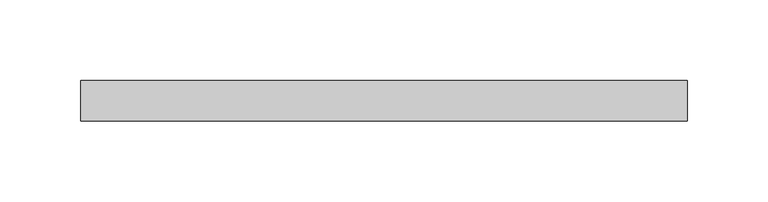
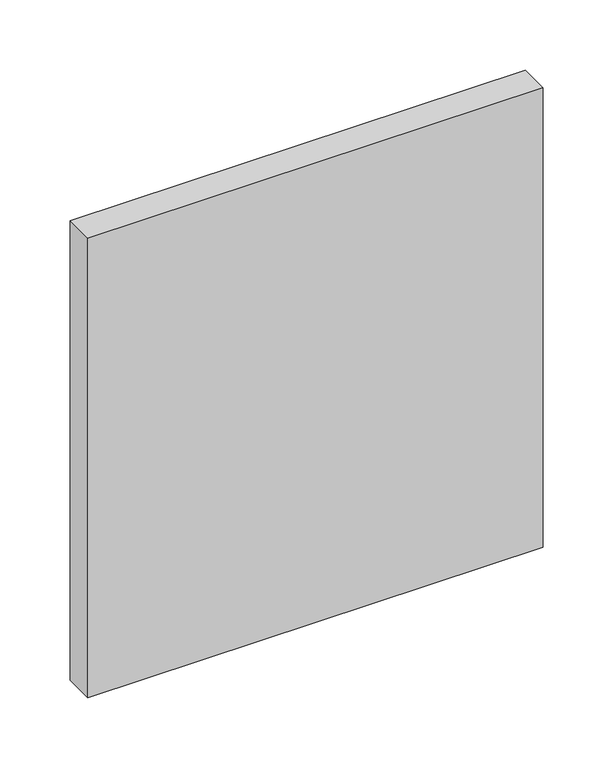
"""IFC4 building model written with IfcOpenShell, lengths in millimetres: plate geometry."""

import ifcopenshell
import ifcopenshell.guid

model = None  # the IFC model being written
_history = None  # IfcOwnerHistory: only IFC2X3 demands one
_inside = {}  # id of a spatial element -> (the spatial element, [elements in it])
_under = {}  # id of a project, library or spatial element -> (it, [spatial elements below it])
_declared = {}  # id of a project -> (the project, [libraries it declares])
_typed = {}  # id of a type object -> (the type object, [elements of that type])
_made_of = {}  # id of a material, layer set ... -> (it, [elements and type objects made of it])


def new_model(schema):
    """Start an empty IFC model of exactly this schema.

    Asked for "IFC4X3", IfcOpenShell would pick the latest addendum, in which some entities
    have other attributes; the version numbers below select the first issue.
    IFC2X3 requires an IfcOwnerHistory on every rooted entity: one is made here for all.
    """
    global model, _history
    if schema == "IFC4X3":
        model = ifcopenshell.file(schema_version=(4, 3, 0, 0))
    else:
        model = ifcopenshell.file(schema=schema)
    _inside.clear()
    _under.clear()
    _declared.clear()
    _typed.clear()
    _made_of.clear()
    _history = None
    if model.schema == "IFC2X3":
        org = make("IfcOrganization", Name="unknown")
        user = make(
            "IfcPersonAndOrganization",
            ThePerson=make("IfcPerson", FamilyName="unknown"),
            TheOrganization=org,
        )
        app = make(
            "IfcApplication",
            ApplicationDeveloper=org,
            Version="unknown",
            ApplicationFullName="unknown",
            ApplicationIdentifier="unknown",
        )
        _history = make(
            "IfcOwnerHistory",
            OwningUser=user,
            OwningApplication=app,
            ChangeAction="ADDED",
            CreationDate=0,
        )
    return model


def make(cls, **values):
    """One entity of the class cls with the attributes given. An attribute that is None is left unset."""
    return model.create_entity(
        cls, **{name: value for name, value in values.items() if value is not None}
    )


def rooted(cls, **values):
    """An entity with a GlobalId (a new one), such as an element, a storey or a relation."""
    return make(cls, GlobalId=ifcopenshell.guid.new(), OwnerHistory=_history, **values)


def si_unit(unit_type, name, prefix=None):
    """IfcSIUnit, for example si_unit("LENGTHUNIT", "METRE", prefix="MILLI")."""
    return make("IfcSIUnit", UnitType=unit_type, Prefix=prefix, Name=name)


def assignment(units):
    """IfcUnitAssignment: the units of a project."""
    return None if units is None else make("IfcUnitAssignment", Units=units)


def point(xyz):
    """IfcCartesianPoint."""
    return None if xyz is None else make("IfcCartesianPoint", Coordinates=xyz)


def direction(xyz):
    """IfcDirection."""
    return None if xyz is None else make("IfcDirection", DirectionRatios=xyz)


def frame(location, z_axis=None, x_axis=None):
    """IfcAxis2Placement3D, a coordinate frame: its origin and axes. An axis left out is left unset."""
    return make(
        "IfcAxis2Placement3D",
        Location=point(location),
        Axis=direction(z_axis),
        RefDirection=direction(x_axis),
    )


def origin():
    """The frame at (0, 0, 0) with its axes left unset."""
    return frame((0.0, 0.0, 0.0))


def origin_with_axes():
    """The frame at (0, 0, 0) with the z axis (0, 0, 1) and the x axis (1, 0, 0) written out."""
    return frame((0.0, 0.0, 0.0), z_axis=(0.0, 0.0, 1.0), x_axis=(1.0, 0.0, 0.0))


def place(relative_to, where):
    """IfcLocalPlacement: puts the frame where relative to a parent placement (None: the world)."""
    return make(
        "IfcLocalPlacement", PlacementRelTo=relative_to, RelativePlacement=where
    )


def context(
    kind, dimensions, precision=None, world=None, true_north=None, identifier=None
):
    """IfcGeometricRepresentationContext, for example the 3D "Model" context."""
    return make(
        "IfcGeometricRepresentationContext",
        ContextIdentifier=identifier,
        ContextType=kind,
        CoordinateSpaceDimension=dimensions,
        Precision=precision,
        WorldCoordinateSystem=world,
        TrueNorth=true_north,
    )


def project(units=None, contexts=None):
    """IfcProject with its units and contexts."""
    return rooted(
        "IfcProject",
        Name="project",
        RepresentationContexts=contexts,
        UnitsInContext=assignment(units),
    )


def spatial(cls, under=None, at=None, **own):
    """A site, building, storey or space (cls), placed at a placement, below another one or the project."""
    s = rooted(cls, ObjectPlacement=at, **own)
    if under is not None:
        _under.setdefault(under.id(), (under, []))[1].append(s)
    return s


def polyline(points):
    """IfcPolyline through the points."""
    return make("IfcPolyline", Points=[point(p) for p in points])


def outline(outer, holes=None, kind="AREA"):
    """IfcArbitraryClosedProfileDef: a profile drawn as a closed curve; with holes, ...WithVoids."""
    if holes is None:
        return make("IfcArbitraryClosedProfileDef", ProfileType=kind, OuterCurve=outer)
    return make(
        "IfcArbitraryProfileDefWithVoids",
        ProfileType=kind,
        OuterCurve=outer,
        InnerCurves=holes,
    )


def extrude(swept, where, along, depth):
    """IfcExtrudedAreaSolid: the profile swept, set in the frame where, extruded along a direction by depth."""
    return make(
        "IfcExtrudedAreaSolid",
        SweptArea=swept,
        Position=where,
        ExtrudedDirection=direction(along),
        Depth=depth,
    )


def shape(context_of_items, identifier, shape_type, items):
    """IfcShapeRepresentation: the items that make up one representation, for example the "Body"."""
    return make(
        "IfcShapeRepresentation",
        ContextOfItems=context_of_items,
        RepresentationIdentifier=identifier,
        RepresentationType=shape_type,
        Items=items,
    )


def source(mapping_origin, context_of_items, identifier, shape_type, items):
    """IfcRepresentationMap: a shape defined once, which mapped items show again and again."""
    return make(
        "IfcRepresentationMap",
        MappingOrigin=mapping_origin,
        MappedRepresentation=shape(context_of_items, identifier, shape_type, items),
    )


def transform(
    local_origin,
    x_axis=None,
    y_axis=None,
    z_axis=None,
    scale=None,
    scale2=None,
    scale3=None,
    uniform=True,
):
    """IfcCartesianTransformationOperator3D, or its non-uniform kind. x_axis, y_axis, z_axis: its Axis1, 2, 3."""
    if uniform:
        return make(
            "IfcCartesianTransformationOperator3D",
            Axis1=direction(x_axis),
            Axis2=direction(y_axis),
            LocalOrigin=point(local_origin),
            Scale=scale,
            Axis3=direction(z_axis),
        )
    return make(
        "IfcCartesianTransformationOperator3DnonUniform",
        Axis1=direction(x_axis),
        Axis2=direction(y_axis),
        LocalOrigin=point(local_origin),
        Scale=scale,
        Axis3=direction(z_axis),
        Scale2=scale2,
        Scale3=scale3,
    )


def mapped(mapping_source, mapping_target):
    """IfcMappedItem: shows the shape of a source again, moved by a transform."""
    return make(
        "IfcMappedItem", MappingSource=mapping_source, MappingTarget=mapping_target
    )


def made_of(thing, what):
    """Note that an element or type object is made of a material, layer set ...; save() writes the relation."""
    if what is not None:
        _made_of.setdefault(what.id(), (what, []))[1].append(thing)
    return thing


def element(
    cls,
    number,
    at=None,
    inside=None,
    cuts=None,
    type_object=None,
    material=None,
    context=None,
    identifier="Body",
    shape_type=None,
    held_by="IfcProductDefinitionShape",
    body=None,
    shapes=None,
    **own,
):
    """One element of the class cls, such as IfcWall. Its Tag is "e" and its number.

    at: its placement. inside: the storey or other place that contains it. cuts: it is an
    opening in that element (IfcRelVoidsElement). A single representation is given by context,
    identifier, shape_type and body (its items); several are given by shapes. held_by: the class
    of the entity that holds the representations. save() writes the other relations.
    """
    e = rooted(cls, Tag="e%d" % number, ObjectPlacement=at, **own)
    if body is not None:
        shapes = [shape(context, identifier, shape_type, body)]
    if shapes is not None:
        e.Representation = make(held_by, Representations=shapes)
    if inside is not None:
        _inside.setdefault(inside.id(), (inside, []))[1].append(e)
    if cuts is not None:
        rooted(
            "IfcRelVoidsElement", RelatingBuildingElement=cuts, RelatedOpeningElement=e
        )
    if type_object is not None:
        _typed.setdefault(type_object.id(), (type_object, []))[1].append(e)
    return made_of(e, material)


def aggregate(whole, parts):
    """IfcRelAggregates: a whole, such as a stair, and the parts it consists of."""
    return rooted("IfcRelAggregates", RelatingObject=whole, RelatedObjects=parts)


def save(model, path):
    """Write the relations noted so far, then the file.

    IfcRelAggregates (storeys below a building ...), IfcRelContainedInSpatialStructure (elements
    in a storey), IfcRelDefinesByType, IfcRelAssociatesMaterial and IfcRelDeclares: one each for
    every whole, place, type object, material and project.
    """
    for whole, parts in _under.values():
        aggregate(whole, parts)
    for where, things in _inside.values():
        rooted(
            "IfcRelContainedInSpatialStructure",
            RelatedElements=things,
            RelatingStructure=where,
        )
    for kind, things in _typed.values():
        rooted("IfcRelDefinesByType", RelatedObjects=things, RelatingType=kind)
    for what, things in _made_of.values():
        rooted("IfcRelAssociatesMaterial", RelatedObjects=things, RelatingMaterial=what)
    for by, libraries in _declared.values():
        rooted("IfcRelDeclares", RelatingContext=by, RelatedDefinitions=libraries)
    model.write(path)


def plate_3452f925(model_context):
    return source(origin(), model_context, "Body", "SweptSolid", [
        extrude(outline(polyline([(187.5, -49.5), (-187.5, -49.5), (-187.5, -24.5), (187.5, -24.5), (187.5, -49.5)])), origin_with_axes(), (0.0, 0.0, 1.0), 400.0),
    ])


if __name__ == "__main__":
    model = new_model("IFC4")
    model_context = context("Model", 3, world=origin())
    ifc_project = project(units=[si_unit("LENGTHUNIT", "METRE", prefix="MILLI")], contexts=[model_context])
    site = spatial("IfcSite", under=ifc_project)
    building = spatial("IfcBuilding", under=site)
    placement = place(None, origin())
    plate_shape = plate_3452f925(model_context)
    element("IfcPlate", 1, at=placement, inside=building, context=model_context, shape_type="MappedRepresentation", body=[
        mapped(plate_shape, transform((0.0, 0.0, 0.0), x_axis=(1.0, 0.0, 0.0), y_axis=(0.0, 1.0, 0.0), z_axis=(0.0, 0.0, 1.0))),
    ])
    save(model, "model.ifc")
